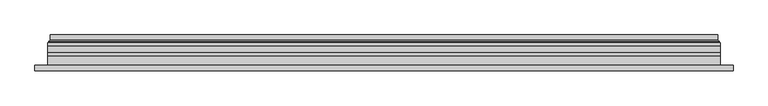
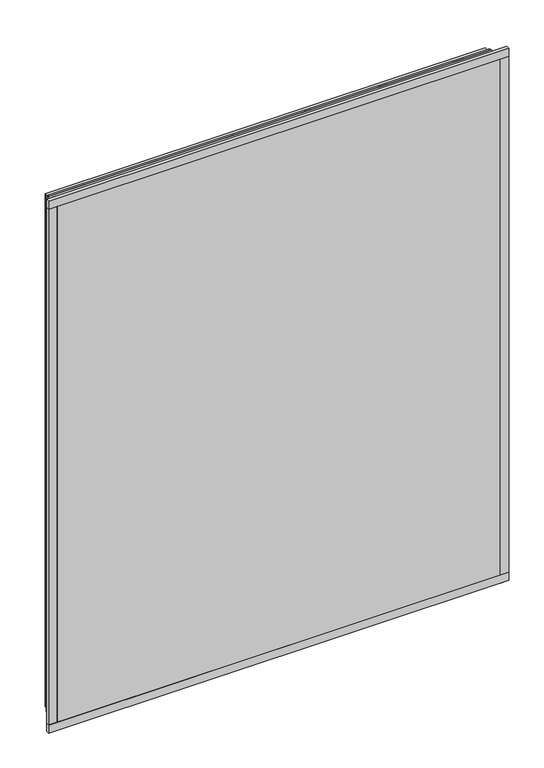
"""IFC4 building model written with IfcOpenShell, lengths in millimetres: plate geometry."""

from ifc_helpers import new_model, si_unit, frame, origin, place, context, project, spatial, polyline, ellipse_curve, outline, extrude, source, transform, mapped, element, save
from ifc_brep_helpers import plane_surface, cylinder_surface, revolved_surface, advanced_brep


def plate_13a0e89a(model_context):
    return source(origin(), model_context, "Body", "SolidModel", [
        extrude(outline(polyline([(33.5, -579.0), (33.5, 579.0), (1466.5, 579.0), (1466.5, -579.0), (33.5, -579.0)]), holes=[polyline([(38.5, 574.0), (38.5, -574.0), (1461.5, -574.0), (1461.5, 574.0), (38.5, 574.0)])]), frame((0.0, 0.0, 0.0), z_axis=(0.0, 1.0, 0.0), x_axis=(0.0, 0.0, 1.0)), (0.0, 0.0, 1.0), 12.0),
        extrude(outline(polyline([(11.5, -601.0), (11.5, 601.0), (1488.5, 601.0), (1488.5, -601.0), (11.5, -601.0)]), holes=[polyline([(33.5, 579.0), (33.5, -579.0), (1466.5, -579.0), (1466.5, 579.0), (33.5, 579.0)])]), frame((0.0, -26.0, 0.0), z_axis=(0.0, 1.0, 0.0), x_axis=(0.0, 0.0, 1.0)), (0.0, 0.0, 1.0), 20.0),
        extrude(outline(polyline([(11.5, -601.0), (11.5, 601.0), (1488.5, 601.0), (1488.5, -601.0), (11.5, -601.0)]), holes=[polyline([(33.5, 579.0), (33.5, -579.0), (1466.5, -579.0), (1466.5, 579.0), (33.5, 579.0)])]), frame((0.0, -26.0, 0.0), z_axis=(0.0, 1.0, 0.0), x_axis=(0.0, 0.0, 1.0)), (0.0, 0.0, 1.0), 20.0),
        extrude(outline(polyline([(601.0, -6.0), (-601.0, -6.0), (-601.0, 0.0), (601.0, 0.0), (601.0, -6.0)])), frame((0.0, 0.0, 11.5), z_axis=(0.0, 0.0, 1.0), x_axis=(1.0, 0.0, 0.0)), (0.0, 0.0, 1.0), 1477.0),
        extrude(outline(polyline([(624.0, -32.0), (-624.0, -32.0), (-624.0, -22.51), (624.0, -22.51), (624.0, -32.0)])), frame((0.0, 0.0, -11.5), z_axis=(0.0, 0.0, 1.0), x_axis=(1.0, 0.0, 0.0)), (0.0, 0.0, 1.0), 23.0),
        extrude(outline(polyline([(624.0, -32.0), (-624.0, -32.0), (-624.0, -22.51), (624.0, -22.51), (624.0, -32.0)])), frame((0.0, 0.0, 1488.5), z_axis=(0.0, 0.0, 1.0), x_axis=(1.0, 0.0, 0.0)), (0.0, 0.0, 1.0), 23.0),
        extrude(outline(polyline([(-624.0, -32.0), (-624.0, -22.51), (-601.0, -22.51), (-601.0, -32.0), (-624.0, -32.0)])), frame((0.0, 0.0, -11.5), z_axis=(0.0, 0.0, 1.0), x_axis=(1.0, 0.0, 0.0)), (0.0, 0.0, 1.0), 1523.0),
        extrude(outline(polyline([(624.0, -32.0), (601.0, -32.0), (601.0, -22.51), (624.0, -22.51), (624.0, -32.0)])), frame((0.0, 0.0, -11.5), z_axis=(0.0, 0.0, 1.0), x_axis=(1.0, 0.0, 0.0)), (0.0, 0.0, 1.0), 1523.0),
        extrude(outline(polyline([(11.5, -601.0), (11.5, 601.0), (1488.5, 601.0), (1488.5, -601.0), (11.5, -601.0)]), holes=[polyline([(33.5, 579.0), (33.5, -579.0), (1466.5, -579.0), (1466.5, 579.0), (33.5, 579.0)])]), frame((0.0, 0.0, 0.0), z_axis=(0.0, 1.0, 0.0), x_axis=(0.0, 0.0, 1.0)), (0.0, 0.0, 1.0), 12.0),
        extrude(outline(polyline([(33.5, -579.0), (33.5, 579.0), (1466.5, 579.0), (1466.5, -579.0), (33.5, -579.0)]), holes=[polyline([(38.5, 574.0), (38.5, -574.0), (1461.5, -574.0), (1461.5, 574.0), (38.5, 574.0)])]), frame((0.0, -26.0, 0.0), z_axis=(0.0, 1.0, 0.0), x_axis=(0.0, 0.0, 1.0)), (0.0, 0.0, 1.0), 20.0),
        extrude(outline(polyline([(601.0, 18.0), (601.0, 12.0), (-601.0, 12.0), (-601.0, 18.0), (601.0, 18.0)])), frame((0.0, 0.0, 11.5), z_axis=(0.0, 0.0, 1.0), x_axis=(1.0, 0.0, 0.0)), (0.0, 0.0, 1.0), 1477.0),
        extrude(outline(polyline([(-601.0, -32.0), (-601.0, -26.0), (601.0, -26.0), (601.0, -32.0), (-601.0, -32.0)])), frame((0.0, 0.0, 11.5), z_axis=(0.0, 0.0, 1.0), x_axis=(1.0, 0.0, 0.0)), (0.0, 0.0, 1.0), 1477.0),
        advanced_brep(
        [(587.5000103, 32.0, 24.9999897), (-587.5000103, 32.0, 24.9999897), (-587.5000103, 21.9110895, 24.9999897), (587.5000103, 21.9110895, 24.9999897), (596.4986526, 23.3044663, 16.0013474), (-596.4986526, 23.3044663, 16.0013474), (-596.4986526, 32.0, 16.0013474), (596.4986526, 32.0, 16.0013474), (598.1689727, 20.9442833, 14.3310273), (-598.1689727, 20.9442833, 14.3310273), (597.7544044, 18.0034569, 14.7455956), (-597.7544044, 18.0034569, 14.7455956), (586.5620948, 20.2163959, 25.9379052), (-586.5620948, 20.2163959, 25.9379052), (-587.1992268, 18.0000006, 25.3007732), (587.1992268, 18.0000006, 25.3007732), (-587.5000103, 32.0, 1475.0000103), (-587.5000103, 21.9110895, 1475.0000103), (-596.4986526, 23.3044663, 1483.9986526), (-596.4986526, 32.0, 1483.9986526), (-598.1689727, 20.9442833, 1485.6689727), (-597.7544044, 18.0034569, 1485.2544044), (-586.5620948, 20.2163959, 1474.0620948), (-587.1992268, 18.0000006, 1474.6992268), (587.5000103, 32.0, 1475.0000103), (587.5000103, 21.9110895, 1475.0000103), (596.4986526, 23.3044663, 1483.9986526), (596.4986526, 32.0, 1483.9986526), (598.1689727, 20.9442833, 1485.6689727), (597.7544044, 18.0034569, 1485.2544044), (586.5620948, 20.2163959, 1474.0620948), (587.1992268, 18.0000006, 1474.6992268)],
        [
            (0, 1),
            (1, 2),
            (2, 3),
            (3, 0),
            (4, 5),
            (5, 6),
            (6, 7),
            (7, 4),
            (8, 9),
            (9, 5, ellipse_curve(frame((-598.8086832, 23.1681522, 13.6913168), z_axis=(-0.7071067811865475, 0.0, 0.7071067811865475), x_axis=(-0.7071067811865476, 0.0, -0.7071067811865474)), 3.2725594, 2.314049)),
            (4, 8, ellipse_curve(frame((598.8086832, 23.1681522, 13.6913168), z_axis=(0.7071067811865475, 0.0, 0.7071067811865475), x_axis=(-0.7071067811865476, 0.0, 0.7071067811865474)), 3.2725594, 2.314049)),
            (10, 11),
            (11, 9, ellipse_curve(frame((-597.7544044, 19.5030909, 14.7455956), z_axis=(0.7071067811865475, 0.0, -0.7071067811865475), x_axis=(0.7071067811865476, 0.0, 0.7071067811865474)), 2.1208028, 1.4996341)),
            (8, 10, ellipse_curve(frame((597.7544044, 19.5030909, 14.7455956), z_axis=(-0.7071067811865475, 0.0, -0.7071067811865475), x_axis=(0.7071067811865476, 0.0, -0.7071067811865474)), 2.1208028, 1.4996341)),
            (12, 13),
            (13, 14, ellipse_curve(frame((-587.1992268, 19.1997743, 25.3007732), z_axis=(0.7071067811865475, 0.0, -0.7071067811865475), x_axis=(0.7071067811865476, 0.0, 0.7071067811865474)), 1.6967361, 1.1997736)),
            (14, 15),
            (15, 12, ellipse_curve(frame((587.1992268, 19.1997743, 25.3007732), z_axis=(-0.7071067811865475, 0.0, -0.7071067811865475), x_axis=(0.7071067811865476, 0.0, -0.7071067811865474)), 1.6967361, 1.1997736)),
            (2, 13, ellipse_curve(frame((-585.5000051, 21.9110895, 26.9999949), z_axis=(-0.7071067811865475, 0.0, 0.7071067811865475), x_axis=(-0.7071067811865476, 0.0, -0.7071067811865474)), 2.8284345, 2.0000052)),
            (12, 3, ellipse_curve(frame((585.5000051, 21.9110895, 26.9999949), z_axis=(0.7071067811865475, 0.0, 0.7071067811865475), x_axis=(-0.7071067811865476, 0.0, 0.7071067811865474)), 2.8284345, 2.0000052)),
            (1, 16),
            (16, 17),
            (17, 2),
            (5, 18),
            (18, 19),
            (19, 6),
            (9, 20),
            (20, 18, ellipse_curve(frame((-598.8086832, 23.1681522, 1486.3086832), z_axis=(0.7071067811865475, 0.0, 0.7071067811865475), x_axis=(-0.7071067811865474, 0.0, 0.7071067811865476)), 3.2725594, 2.314049)),
            (11, 21),
            (21, 20, ellipse_curve(frame((-597.7544044, 19.5030909, 1485.2544044), z_axis=(-0.7071067811865475, 0.0, -0.7071067811865475), x_axis=(0.7071067811865474, 0.0, -0.7071067811865476)), 2.1208028, 1.4996341)),
            (13, 22),
            (22, 23, ellipse_curve(frame((-587.1992268, 19.1997743, 1474.6992268), z_axis=(-0.7071067811865475, 0.0, -0.7071067811865475), x_axis=(0.7071067811865474, 0.0, -0.7071067811865476)), 1.6967361, 1.1997736)),
            (23, 14),
            (17, 22, ellipse_curve(frame((-585.5000051, 21.9110895, 1473.0000051), z_axis=(0.7071067811865475, 0.0, 0.7071067811865475), x_axis=(-0.7071067811865474, 0.0, 0.7071067811865476)), 2.8284345, 2.0000052)),
            (16, 24),
            (24, 25),
            (25, 17),
            (18, 26),
            (26, 27),
            (27, 19),
            (20, 28),
            (28, 26, ellipse_curve(frame((598.8086832, 23.1681522, 1486.3086832), z_axis=(0.7071067811865475, 0.0, -0.7071067811865475), x_axis=(0.7071067811865476, 0.0, 0.7071067811865474)), 3.2725594, 2.314049)),
            (21, 29),
            (29, 28, ellipse_curve(frame((597.7544044, 19.5030909, 1485.2544044), z_axis=(-0.7071067811865475, 0.0, 0.7071067811865475), x_axis=(-0.7071067811865476, 0.0, -0.7071067811865474)), 2.1208028, 1.4996341)),
            (22, 30),
            (30, 31, ellipse_curve(frame((587.1992268, 19.1997743, 1474.6992268), z_axis=(-0.7071067811865475, 0.0, 0.7071067811865475), x_axis=(-0.7071067811865476, 0.0, -0.7071067811865474)), 1.6967361, 1.1997736)),
            (31, 23),
            (25, 30, ellipse_curve(frame((585.5000051, 21.9110895, 1473.0000051), z_axis=(0.7071067811865475, 0.0, -0.7071067811865475), x_axis=(0.7071067811865476, 0.0, 0.7071067811865474)), 2.8284345, 2.0000052)),
            (24, 0),
            (3, 25),
            (26, 4),
            (7, 27),
            (28, 8),
            (29, 10),
            (31, 15),
            (30, 12),
        ],
        [
            plane_surface(frame((587.5000103, 21.9110895, 24.9999897), z_axis=(0.0, 0.0, 1.0), x_axis=(-1.0, 0.0, 0.0))),
            plane_surface(frame((596.4986526, 32.0, 16.0013474), z_axis=(0.0, 0.0, -1.0), x_axis=(-1.0, 0.0, 0.0))),
            revolved_surface(polyline([(-601.1227321435756, 25.482201200000002, 13.6913168), (601.1227321435758, 25.482201200000002, 13.6913168)]), (587.5, 23.1681522, 13.6913168), (-1.0, 0.0, 0.0)),
            cylinder_surface(frame((587.5, 19.5030909, 14.7455956), z_axis=(1.0, 0.0, 0.0), x_axis=(0.0, 1.0, 0.0)), 1.4996341),
            cylinder_surface(frame((587.5, 19.1997743, 25.3007732), z_axis=(1.0, 0.0, 0.0), x_axis=(0.0, 1.0, 0.0)), 1.1997736),
            revolved_surface(polyline([(-587.5000103150919, 23.9110947, 26.9999949), (587.5000103150919, 23.9110947, 26.9999949)]), (587.5, 21.9110895, 26.9999949), (-1.0, 0.0, 0.0)),
            plane_surface(frame((-587.5000103, 21.9110895, 24.9999897), z_axis=(1.0, 0.0, 0.0), x_axis=(0.0, 0.0, 1.0))),
            plane_surface(frame((-596.4986526, 32.0, 16.0013474), z_axis=(-1.0, 0.0, 0.0), x_axis=(0.0, 0.0, 1.0))),
            revolved_surface(polyline([(-598.8086832, 25.482201200000002, 1488.6227321435756), (-598.8086832, 25.482201200000002, 11.37726785642422)]), (-598.8086832, 23.1681522, 25.0), (0.0, 0.0, 1.0)),
            cylinder_surface(frame((-597.7544044, 19.5030909, 25.0), z_axis=(0.0, 0.0, -1.0), x_axis=(0.0, 1.0, 0.0)), 1.4996341),
            cylinder_surface(frame((-587.1992268, 19.1997743, 25.0), z_axis=(0.0, 0.0, -1.0), x_axis=(0.0, 1.0, 0.0)), 1.1997736),
            revolved_surface(polyline([(-585.5000051, 23.9110947, 1475.000010315092), (-585.5000051, 23.9110947, 24.99998968490802)]), (-585.5000051, 21.9110895, 25.0), (0.0, 0.0, 1.0)),
            plane_surface(frame((-587.5000103, 21.9110895, 1475.0000103), z_axis=(0.0, 0.0, -1.0), x_axis=(1.0, 0.0, 0.0))),
            plane_surface(frame((-596.4986526, 32.0, 1483.9986526), z_axis=(0.0, 0.0, 1.0), x_axis=(1.0, 0.0, 0.0))),
            revolved_surface(polyline([(601.1227321435756, 25.482201200000002, 1486.3086832), (-601.1227321435758, 25.482201200000002, 1486.3086832)]), (-587.5, 23.1681522, 1486.3086832), (1.0, 0.0, 0.0)),
            cylinder_surface(frame((-587.5, 19.5030909, 1485.2544044), z_axis=(-1.0, 0.0, 0.0), x_axis=(0.0, 1.0, 0.0)), 1.4996341),
            cylinder_surface(frame((-587.5, 19.1997743, 1474.6992268), z_axis=(-1.0, 0.0, 0.0), x_axis=(0.0, 1.0, 0.0)), 1.1997736),
            revolved_surface(polyline([(587.5000103150919, 23.9110947, 1473.0000051), (-587.5000103150919, 23.9110947, 1473.0000051)]), (-587.5, 21.9110895, 1473.0000051), (1.0, 0.0, 0.0)),
            plane_surface(frame((587.5000103, 21.9110895, 1475.0000103), z_axis=(-1.0, 0.0, 0.0), x_axis=(0.0, 0.0, -1.0))),
            plane_surface(frame((596.4986526, 32.0, 1483.9986526), z_axis=(1.0, 0.0, 0.0), x_axis=(0.0, 0.0, -1.0))),
            revolved_surface(polyline([(598.8086832, 25.482201200000002, 11.377267856424396), (598.8086832, 25.482201200000002, 1488.6227321435756)]), (598.8086832, 23.1681522, 1475.0), (0.0, 0.0, -1.0)),
            cylinder_surface(frame((597.7544044, 19.5030909, 1475.0), z_axis=(0.0, 0.0, 1.0), x_axis=(0.0, 1.0, 0.0)), 1.4996341),
            plane_surface(frame((597.7544044, 18.0000006, 1485.2544044), z_axis=(0.0, -1.0, 0.0), x_axis=(0.0, 0.0, -1.0))),
            cylinder_surface(frame((587.1992268, 19.1997743, 1475.0), z_axis=(0.0, 0.0, 1.0), x_axis=(0.0, 1.0, 0.0)), 1.1997736),
            revolved_surface(polyline([(585.5000051, 23.9110947, 24.999989684908087), (585.5000051, 23.9110947, 1475.000010315092)]), (585.5000051, 21.9110895, 1475.0), (0.0, 0.0, -1.0)),
            plane_surface(frame((587.5000103, 32.0, 1475.0000103), z_axis=(0.0, 1.0, 0.0), x_axis=(0.0, 0.0, -1.0))),
        ],
        [
            (0, [[1, 2, 3, 4]]),
            (1, [[5, 6, 7, 8]]),
            (2, [[9, 10, -5, 11]]),
            (3, [[12, 13, -9, 14]]),
            (4, [[15, 16, 17, 18]]),
            (5, [[-3, 19, -15, 20]]),
            (6, [[21, 22, 23, -2]]),
            (7, [[24, 25, 26, -6]]),
            (8, [[27, 28, -24, -10]]),
            (9, [[29, 30, -27, -13]]),
            (10, [[31, 32, 33, -16]]),
            (11, [[-23, 34, -31, -19]]),
            (12, [[35, 36, 37, -22]]),
            (13, [[38, 39, 40, -25]]),
            (14, [[41, 42, -38, -28]]),
            (15, [[43, 44, -41, -30]]),
            (16, [[45, 46, 47, -32]]),
            (17, [[-37, 48, -45, -34]]),
            (18, [[49, -4, 50, -36]]),
            (19, [[51, -8, 52, -39]]),
            (20, [[53, -11, -51, -42]]),
            (21, [[54, -14, -53, -44]]),
            (22, [[-12, -54, -43, -29], [-17, -33, -47, 55]]),
            (23, [[56, -18, -55, -46]]),
            (24, [[-50, -20, -56, -48]]),
            (25, [[-7, -26, -40, -52], [-1, -49, -35, -21]]),
        ],
    ),
    ])


if __name__ == "__main__":
    model = new_model("IFC4")
    model_context = context("Model", 3, world=origin())
    ifc_project = project(units=[si_unit("LENGTHUNIT", "METRE", prefix="MILLI")], contexts=[model_context])
    site = spatial("IfcSite", under=ifc_project)
    building = spatial("IfcBuilding", under=site)
    placement = place(None, origin())
    plate_shape = plate_13a0e89a(model_context)
    element("IfcPlate", 1, at=placement, inside=building, context=model_context, shape_type="MappedRepresentation", body=[
        mapped(plate_shape, transform((0.0, 0.0, 0.0), x_axis=(1.0, 0.0, 0.0), y_axis=(0.0, 1.0, 0.0), z_axis=(0.0, 0.0, 1.0))),
    ])
    save(model, "model.ifc")
